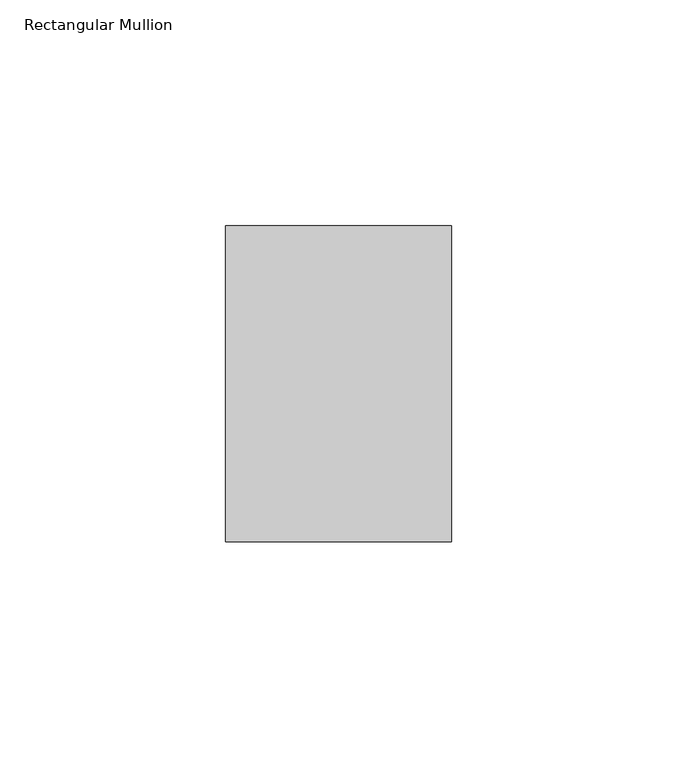
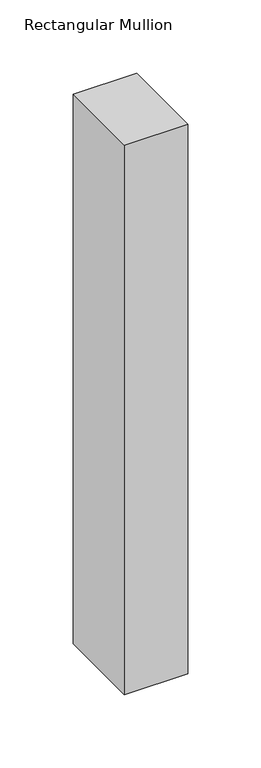
"""IFC4 building model written with IfcOpenShell, lengths in millimetres: member geometry, Rectangular Mullion."""

from ifc_helpers import new_model, si_unit, frame, origin, place, context, project, spatial, polyline, outline, extrude, source, transform, mapped, element, save


def rectangular_mullion_6c5c91ca(model_context):
    return source(origin(), model_context, "Body", "SweptSolid", [
        extrude(outline(polyline([(0.0, 35.0), (0.0, -35.0), (-50.0, -35.0), (-50.0, 35.0), (0.0, 35.0)])), frame((0.0, 0.0, -458.4685394), z_axis=(0.0, 0.0, 1.0), x_axis=(1.0, 0.0, 0.0)), (0.0, 0.0, 1.0), 458.4685394),
    ])


if __name__ == "__main__":
    model = new_model("IFC4")
    model_context = context("Model", 3, world=origin())
    ifc_project = project(units=[si_unit("LENGTHUNIT", "METRE", prefix="MILLI")], contexts=[model_context])
    site = spatial("IfcSite", under=ifc_project)
    building = spatial("IfcBuilding", under=site)
    placement = place(None, origin())
    rectangular_mullion_shape = rectangular_mullion_6c5c91ca(model_context)
    element("IfcMember", 1, ObjectType="Rectangular Mullion", at=placement, inside=building, context=model_context, shape_type="MappedRepresentation", body=[
        mapped(rectangular_mullion_shape, transform((0.0, 0.0, 0.0), x_axis=(1.0, 0.0, 0.0), y_axis=(0.0, 1.0, 0.0), z_axis=(0.0, 0.0, 1.0))),
    ])
    save(model, "model.ifc")
